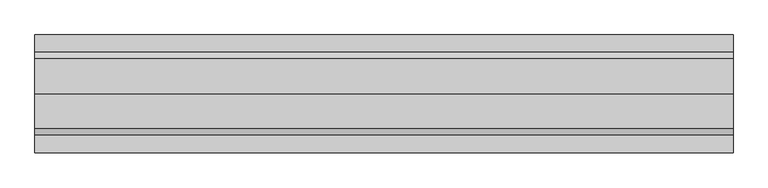
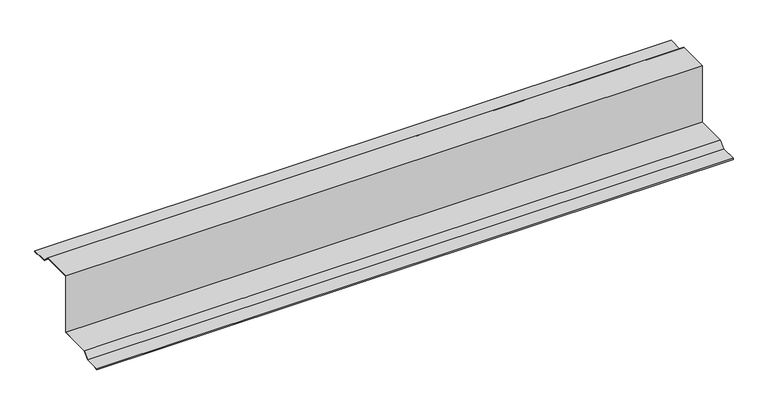
"""IFC4 building model written with IfcOpenShell, lengths in millimetres: proxy geometry."""

from ifc_helpers import new_model, si_unit, origin, place, context, project, spatial, faceted_brep, source, transform, mapped, element, save


def generic_models_4b381016(model_context):
    return source(origin(), model_context, "Body", "Brep", [
        faceted_brep([(0.0, 0.0, 168.8492424), (0.0, 0.0, 169.8492424), (0.0, 76.0, 169.8492424), (0.0, 90.8492424, 155.0), (0.0, 130.8492424, 155.0), (0.0, 130.8492424, 152.0), (0.0, 120.8492424, 152.0), (0.0, 120.8492424, 153.0), (0.0, 129.8492424, 153.0), (0.0, 129.8492424, 154.0), (0.0, 90.4350288, 154.0), (0.0, 75.5857864, 168.8492424), (0.0, -3.0, 168.8492424), (0.0, -3.0, 18.8492424), (0.0, -83.5857864, 18.8492424), (0.0, -98.4350288, 4.0), (0.0, -137.8492424, 4.0), (0.0, -137.8492424, 3.0), (0.0, -128.8492424, 3.0), (0.0, -128.8492424, 2.0), (0.0, -138.8492424, 2.0), (0.0, -138.8492424, 5.0), (0.0, -98.8492424, 5.0), (0.0, -84.0, 19.8492424), (0.0, -4.0, 19.8492424), (0.0, -4.0, 169.8492424), (1600.0, 0.0, 169.8492424), (1600.0, 0.0, 168.8492424), (1600.0, 75.5857864, 168.8492424), (1600.0, 90.4350288, 154.0), (1600.0, 129.8492424, 154.0), (1600.0, 129.8492424, 153.0), (1600.0, 120.8492424, 153.0), (1600.0, 120.8492424, 152.0), (1600.0, 130.8492424, 152.0), (1600.0, 130.8492424, 155.0), (1600.0, 90.8492424, 155.0), (1600.0, 76.0, 169.8492424), (1600.0, -4.0, 169.8492424), (1600.0, -4.0, 19.8492424), (1600.0, -84.0, 19.8492424), (1600.0, -98.8492424, 5.0), (1600.0, -138.8492424, 5.0), (1600.0, -138.8492424, 2.0), (1600.0, -128.8492424, 2.0), (1600.0, -128.8492424, 3.0), (1600.0, -137.8492424, 3.0), (1600.0, -137.8492424, 4.0), (1600.0, -98.4350288, 4.0), (1600.0, -83.5857864, 18.8492424), (1600.0, -3.0, 18.8492424), (1600.0, -3.0, 168.8492424)], [[[0, 1, 2, 3, 4, 5, 6, 7, 8, 9, 10, 11]], [[1, 0, 12, 13, 14, 15, 16, 17, 18, 19, 20, 21, 22, 23, 24, 25]], [[26, 27, 28, 29, 30, 31, 32, 33, 34, 35, 36, 37]], [[27, 26, 38, 39, 40, 41, 42, 43, 44, 45, 46, 47, 48, 49, 50, 51]], [[21, 20, 43, 42]], [[22, 21, 42, 41]], [[23, 22, 41, 40]], [[24, 23, 40, 39]], [[25, 24, 39, 38]], [[2, 1, 25, 38, 26, 37]], [[3, 2, 37, 36]], [[4, 3, 36, 35]], [[5, 4, 35, 34]], [[6, 5, 34, 33]], [[7, 6, 33, 32]], [[8, 7, 32, 31]], [[9, 8, 31, 30]], [[10, 9, 30, 29]], [[11, 10, 29, 28]], [[0, 11, 28, 27, 51, 12]], [[13, 12, 51, 50]], [[14, 13, 50, 49]], [[15, 14, 49, 48]], [[16, 15, 48, 47]], [[17, 16, 47, 46]], [[18, 17, 46, 45]], [[19, 18, 45, 44]], [[20, 19, 44, 43]]]),
    ])


if __name__ == "__main__":
    model = new_model("IFC4")
    model_context = context("Model", 3, world=origin())
    ifc_project = project(units=[si_unit("LENGTHUNIT", "METRE", prefix="MILLI")], contexts=[model_context])
    site = spatial("IfcSite", under=ifc_project)
    building = spatial("IfcBuilding", under=site)
    placement = place(None, origin())
    generic_models_shape = generic_models_4b381016(model_context)
    element("IfcBuildingElementProxy", 1, Name="Generic Models", at=placement, inside=building, context=model_context, shape_type="MappedRepresentation", body=[
        mapped(generic_models_shape, transform((0.0, 0.0, 0.0), x_axis=(1.0, 0.0, 0.0), y_axis=(0.0, 1.0, 0.0), z_axis=(0.0, 0.0, 1.0))),
    ])
    save(model, "model.ifc")
